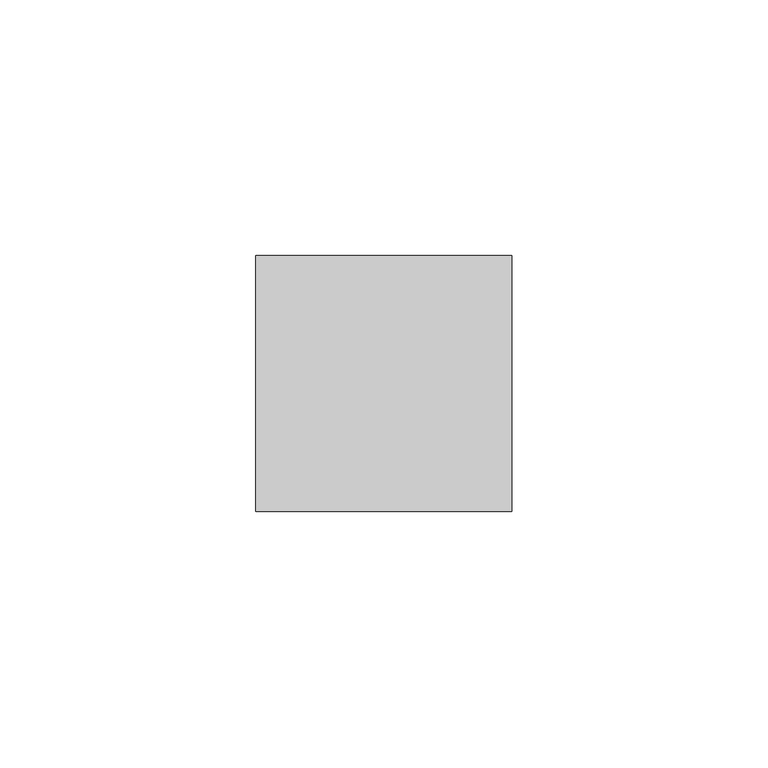
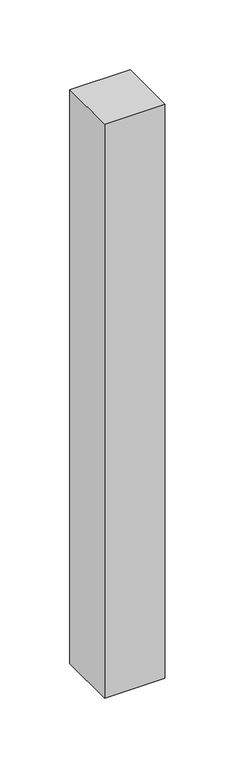
"""IFC4 building model written with IfcOpenShell, lengths in millimetres: member geometry."""

from ifc_helpers import new_model, si_unit, frame, origin, place, context, project, spatial, polyline, outline, extrude, source, transform, mapped, element, save


def member_352edc50(model_context):
    return source(origin(), model_context, "Body", "SweptSolid", [
        extrude(outline(polyline([(25.0, 25.0), (25.0, -25.0), (-25.0, -25.0), (-25.0, 25.0), (25.0, 25.0)])), frame((0.0, 0.0, -502.9599279), z_axis=(0.0, 0.0, 1.0), x_axis=(1.0, 0.0, 0.0)), (0.0, 0.0, 1.0), 502.9599279),
    ])


if __name__ == "__main__":
    model = new_model("IFC4")
    model_context = context("Model", 3, world=origin())
    ifc_project = project(units=[si_unit("LENGTHUNIT", "METRE", prefix="MILLI")], contexts=[model_context])
    site = spatial("IfcSite", under=ifc_project)
    building = spatial("IfcBuilding", under=site)
    placement = place(None, origin())
    member_shape = member_352edc50(model_context)
    element("IfcMember", 1, at=placement, inside=building, context=model_context, shape_type="MappedRepresentation", body=[
        mapped(member_shape, transform((0.0, 0.0, 0.0), x_axis=(1.0, 0.0, 0.0), y_axis=(0.0, 1.0, 0.0), z_axis=(0.0, 0.0, 1.0))),
    ])
    save(model, "model.ifc")
